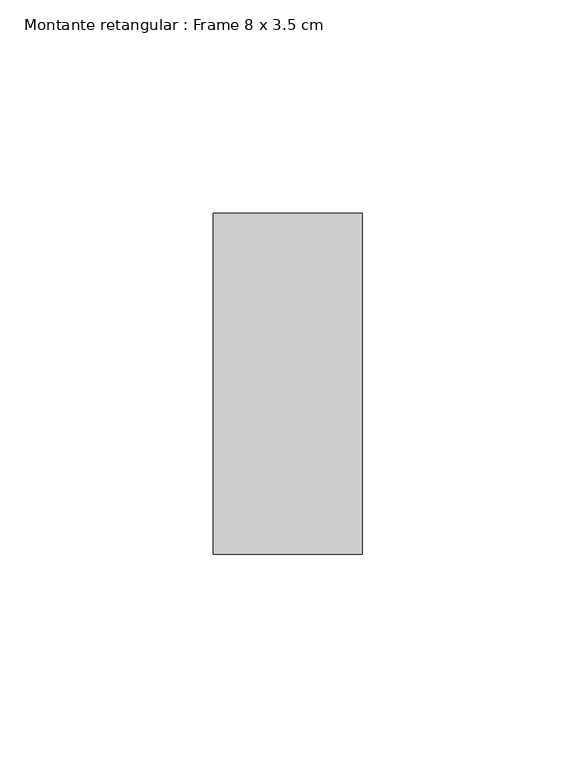
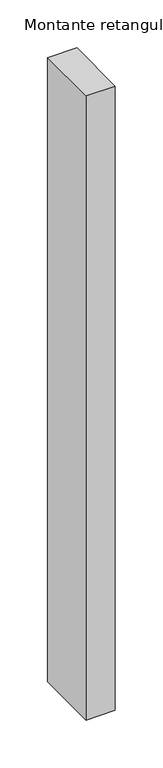
"""IFC4 building model written with IfcOpenShell, lengths in millimetres: member geometry, Montante retangular : Frame 8 x 3.5 cm."""

from ifc_helpers import new_model, si_unit, frame, origin, place, context, project, spatial, polyline, outline, extrude, source, transform, mapped, element, save


def montante_retangular_frame_8_x_3_5_cm_e11c6e14(model_context):
    return source(origin(), model_context, "Body", "SweptSolid", [
        extrude(outline(polyline([(17.5, 40.0), (17.5, -40.0), (-17.5, -40.0), (-17.5, 40.0), (17.5, 40.0)])), frame((0.0, 0.0, -795.0), z_axis=(0.0, 0.0, 1.0), x_axis=(1.0, 0.0, 0.0)), (0.0, 0.0, 1.0), 795.0),
    ])


if __name__ == "__main__":
    model = new_model("IFC4")
    model_context = context("Model", 3, world=origin())
    ifc_project = project(units=[si_unit("LENGTHUNIT", "METRE", prefix="MILLI")], contexts=[model_context])
    site = spatial("IfcSite", under=ifc_project)
    building = spatial("IfcBuilding", under=site)
    placement = place(None, origin())
    montante_retangular_frame_8_x_3_5_cm_shape = montante_retangular_frame_8_x_3_5_cm_e11c6e14(model_context)
    element("IfcMember", 1, ObjectType="Montante retangular : Frame 8 x 3.5 cm", at=placement, inside=building, context=model_context, shape_type="MappedRepresentation", body=[
        mapped(montante_retangular_frame_8_x_3_5_cm_shape, transform((0.0, 0.0, 0.0), x_axis=(1.0, 0.0, 0.0), y_axis=(0.0, 1.0, 0.0), z_axis=(0.0, 0.0, 1.0))),
    ])
    save(model, "model.ifc")
